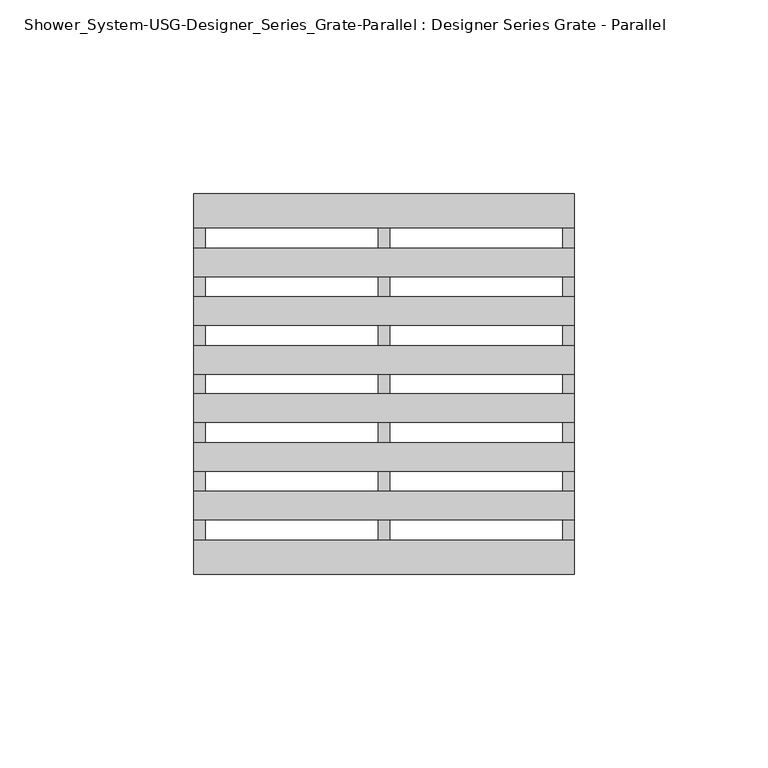
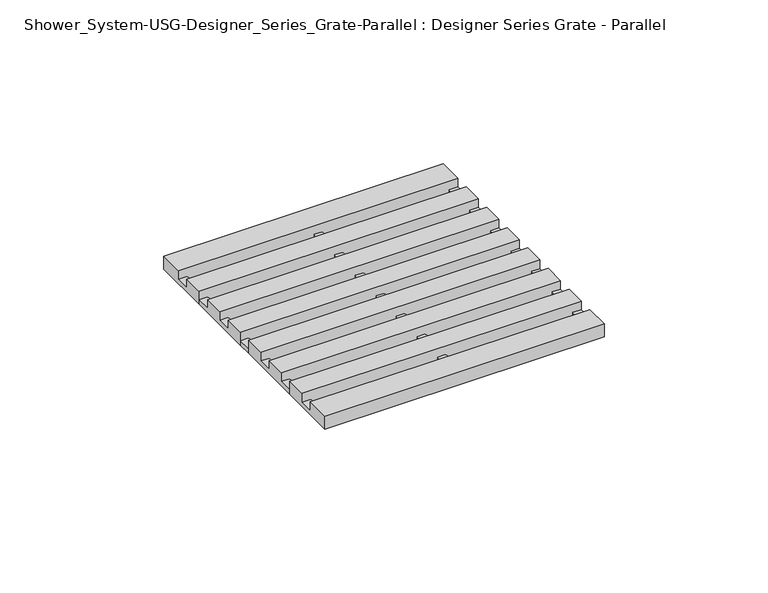
"""IFC4 building model written with IfcOpenShell, lengths in millimetres: proxy geometry, Shower_System-USG-Designer_Series_Grate-Parallel : Designer Series Grate - Parallel."""

from ifc_helpers import new_model, si_unit, origin, place, context, project, spatial, faceted_brep, source, transform, mapped, element, save


def shower_system_usg_designer_series_grate_parallel_designer_d6d5fca7(model_context):
    return source(origin(), model_context, "Body", "Brep", [
        faceted_brep([(49.2125, -2.5234032, 0.0), (49.2125, -27.7448094, 0.0), (49.2125, -49.2125, 0.0), (-49.2125, -49.2125, 0.0), (-49.2125, -27.7448094, 0.0), (-49.2125, -2.5234032, 0.0), (-49.2125, 2.5234032, 0.0), (-49.2125, 27.7448094, 0.0), (-49.2125, 49.2125, 0.0), (49.2125, 49.2125, 0.0), (49.2125, 27.7448094, 0.0), (49.2125, 2.5234032, 0.0), (46.1367187, -40.3555125, 0.0), (46.1367187, -35.1266844, 0.0), (1.5378906, -35.1266844, 0.0), (1.5378906, -40.3555125, 0.0), (-1.5378906, -40.3555125, 0.0), (-1.5378906, -35.1266844, 0.0), (-46.1367188, -35.1266844, 0.0), (-46.1367188, -40.3555125, 0.0), (1.5378906, 40.3555125, 0.0), (1.5378906, 35.1266844, 0.0), (46.1367187, 35.1266844, 0.0), (46.1367187, 40.3555125, 0.0), (-46.1367188, 40.3555125, 0.0), (-46.1367188, 35.1266844, 0.0), (-1.5378906, 35.1266844, 0.0), (-1.5378906, 40.3555125, 0.0), (46.1367187, -27.7448094, 0.0), (46.1367187, -22.5159813, 0.0), (1.5378906, -22.5159813, 0.0), (1.5378906, -27.7448094, 0.0), (-1.5378906, -27.7448094, 0.0), (-1.5378906, -22.5159813, 0.0), (-46.1367188, -22.5159813, 0.0), (-46.1367188, -27.7448094, 0.0), (46.1367187, -15.1341063, 0.0), (46.1367187, -9.9052782, 0.0), (1.5378906, -9.9052782, 0.0), (1.5378906, -15.1341063, 0.0), (-1.5378906, -15.1341063, 0.0), (-1.5378906, -9.9052782, 0.0), (-46.1367188, -9.9052782, 0.0), (-46.1367188, -15.1341063, 0.0), (46.1367187, -2.5234032, 0.0), (46.1367187, 2.5234032, 0.0), (1.5378906, 2.5234032, 0.0), (1.5378906, -2.5234032, 0.0), (-1.5378906, -2.5234032, 0.0), (-1.5378906, 2.5234032, 0.0), (-46.1367188, 2.5234032, 0.0), (-46.1367188, -2.5234032, 0.0), (1.5378906, 27.7448094, 0.0), (1.5378906, 22.5159813, 0.0), (46.1367187, 22.5159813, 0.0), (46.1367187, 27.7448094, 0.0), (-46.1367188, 27.7448094, 0.0), (-46.1367188, 22.5159813, 0.0), (-1.5378906, 22.5159813, 0.0), (-1.5378906, 27.7448094, 0.0), (1.5378906, 15.1341063, 0.0), (1.5378906, 9.9052782, 0.0), (46.1367187, 9.9052782, 0.0), (46.1367187, 15.1341063, 0.0), (-46.1367188, 15.1341063, 0.0), (-46.1367188, 9.9052782, 0.0), (-1.5378906, 9.9052782, 0.0), (-1.5378906, 15.1341063, 0.0), (-49.2125, 40.3555125, 4.7625), (49.2125, 40.3555125, 4.7625), (49.2125, 49.2125, 4.7625), (-49.2125, 49.2125, 4.7625), (49.2125, -49.2125, 4.7625), (49.2125, -40.3555125, 4.7625), (-49.2125, -40.3555125, 4.7625), (-49.2125, -49.2125, 4.7625), (49.2125, -35.1266844, 4.7625), (49.2125, -27.7448094, 4.7625), (-49.2125, -27.7448094, 4.7625), (-49.2125, -35.1266844, 4.7625), (49.2125, -22.5159813, 4.7625), (49.2125, -15.1341063, 4.7625), (-49.2125, -15.1341063, 4.7625), (-49.2125, -22.5159813, 4.7625), (49.2125, -9.9052782, 4.7625), (49.2125, -2.5234032, 4.7625), (-49.2125, -2.5234032, 4.7625), (-49.2125, -9.9052782, 4.7625), (49.2125, 35.1266844, 4.7625), (-49.2125, 35.1266844, 4.7625), (-49.2125, 27.7448094, 4.7625), (49.2125, 27.7448094, 4.7625), (49.2125, 22.5159813, 4.7625), (-49.2125, 22.5159813, 4.7625), (-49.2125, 15.1341063, 4.7625), (49.2125, 15.1341063, 4.7625), (49.2125, 9.9052782, 4.7625), (-49.2125, 9.9052782, 4.7625), (-49.2125, 2.5234032, 4.7625), (49.2125, 2.5234032, 4.7625), (49.2125, 40.3555125, 1.5875), (49.2125, 35.1266844, 1.5875), (49.2125, 27.7448094, 1.5875), (-49.2125, 27.7448094, 1.5875), (-49.2125, 35.1266844, 1.5875), (-49.2125, 40.3555125, 1.5875), (49.2125, -27.7448094, 1.5875), (49.2125, -35.1266844, 1.5875), (49.2125, -40.3555125, 1.5875), (46.1367187, -40.3555125, 1.5875), (1.5378906, -40.3555125, 1.5875), (-1.5378906, -40.3555125, 1.5875), (-46.1367188, -40.3555125, 1.5875), (-49.2125, -40.3555125, 1.5875), (-49.2125, -35.1266844, 1.5875), (-49.2125, -27.7448094, 1.5875), (-46.1367188, 40.3555125, 1.5875), (-1.5378906, 40.3555125, 1.5875), (1.5378906, 40.3555125, 1.5875), (46.1367187, 40.3555125, 1.5875), (46.1367187, -27.7448094, 1.5875), (1.5378906, -27.7448094, 1.5875), (-1.5378906, -27.7448094, 1.5875), (-46.1367188, -27.7448094, 1.5875), (-46.1367188, -35.1266844, 1.5875), (-1.5378906, -35.1266844, 1.5875), (1.5378906, -35.1266844, 1.5875), (46.1367187, -35.1266844, 1.5875), (49.2125, -2.5234032, 1.5875), (49.2125, -9.9052782, 1.5875), (49.2125, -15.1341063, 1.5875), (49.2125, -22.5159813, 1.5875), (46.1367187, -15.1341063, 1.5875), (1.5378906, -15.1341063, 1.5875), (-1.5378906, -15.1341063, 1.5875), (-46.1367188, -15.1341063, 1.5875), (-49.2125, -15.1341063, 1.5875), (-49.2125, -22.5159813, 1.5875), (-49.2125, -9.9052782, 1.5875), (-49.2125, -2.5234032, 1.5875), (-46.1367188, -22.5159813, 1.5875), (-1.5378906, -22.5159813, 1.5875), (1.5378906, -22.5159813, 1.5875), (46.1367187, -22.5159813, 1.5875), (46.1367187, -2.5234032, 1.5875), (1.5378906, -2.5234032, 1.5875), (-1.5378906, -2.5234032, 1.5875), (-46.1367188, -2.5234032, 1.5875), (-46.1367188, -9.9052782, 1.5875), (-1.5378906, -9.9052782, 1.5875), (1.5378906, -9.9052782, 1.5875), (46.1367187, -9.9052782, 1.5875), (46.1367187, 35.1266844, 1.5875), (1.5378906, 35.1266844, 1.5875), (-1.5378906, 35.1266844, 1.5875), (-46.1367188, 35.1266844, 1.5875), (-46.1367188, 27.7448094, 1.5875), (-1.5378906, 27.7448094, 1.5875), (1.5378906, 27.7448094, 1.5875), (46.1367187, 27.7448094, 1.5875), (49.2125, 22.5159813, 1.5875), (46.1367187, 22.5159813, 1.5875), (1.5378906, 22.5159813, 1.5875), (-1.5378906, 22.5159813, 1.5875), (-46.1367188, 22.5159813, 1.5875), (-49.2125, 22.5159813, 1.5875), (-49.2125, 2.5234032, 1.5875), (-49.2125, 9.9052782, 1.5875), (-49.2125, 15.1341063, 1.5875), (-46.1367188, 15.1341063, 1.5875), (-1.5378906, 15.1341063, 1.5875), (1.5378906, 15.1341063, 1.5875), (46.1367187, 15.1341063, 1.5875), (49.2125, 15.1341063, 1.5875), (49.2125, 9.9052782, 1.5875), (49.2125, 2.5234032, 1.5875), (46.1367187, 9.9052782, 1.5875), (1.5378906, 9.9052782, 1.5875), (-1.5378906, 9.9052782, 1.5875), (-46.1367188, 9.9052782, 1.5875), (-46.1367188, 2.5234032, 1.5875), (-1.5378906, 2.5234032, 1.5875), (1.5378906, 2.5234032, 1.5875), (46.1367187, 2.5234032, 1.5875)], [[[0, 1, 2, 3, 4, 5, 6, 7, 8, 9, 10, 11], [12, 13, 14, 15], [16, 17, 18, 19], [20, 21, 22, 23], [24, 25, 26, 27], [28, 29, 30, 31], [32, 33, 34, 35], [36, 37, 38, 39], [40, 41, 42, 43], [44, 45, 46, 47], [48, 49, 50, 51], [52, 53, 54, 55], [56, 57, 58, 59], [60, 61, 62, 63], [64, 65, 66, 67]], [[68, 69, 70, 71]], [[72, 73, 74, 75]], [[76, 77, 78, 79]], [[80, 81, 82, 83]], [[84, 85, 86, 87]], [[88, 89, 90, 91]], [[92, 93, 94, 95]], [[96, 97, 98, 99]], [[9, 70, 69, 100, 101, 88, 91, 102, 10]], [[8, 71, 70, 9]], [[7, 103, 90, 89, 104, 105, 68, 71, 8]], [[2, 72, 75, 3]], [[1, 106, 77, 76, 107, 108, 73, 72, 2]], [[73, 108, 109, 12, 15, 110, 111, 16, 19, 112, 113, 74]], [[3, 75, 74, 113, 114, 79, 78, 115, 4]], [[68, 105, 116, 24, 27, 117, 118, 20, 23, 119, 100, 69]], [[77, 106, 120, 28, 31, 121, 122, 32, 35, 123, 115, 78]], [[79, 114, 124, 18, 17, 125, 126, 14, 13, 127, 107, 76]], [[0, 128, 85, 84, 129, 130, 81, 80, 131, 106, 1]], [[81, 130, 132, 36, 39, 133, 134, 40, 43, 135, 136, 82]], [[4, 115, 137, 83, 82, 136, 138, 87, 86, 139, 5]], [[83, 137, 140, 34, 33, 141, 142, 30, 29, 143, 131, 80]], [[85, 128, 144, 44, 47, 145, 146, 48, 51, 147, 139, 86]], [[87, 138, 148, 42, 41, 149, 150, 38, 37, 151, 129, 84]], [[88, 101, 152, 22, 21, 153, 154, 26, 25, 155, 104, 89]], [[90, 103, 156, 56, 59, 157, 158, 52, 55, 159, 102, 91]], [[92, 160, 161, 54, 53, 162, 163, 58, 57, 164, 165, 93]], [[6, 166, 98, 97, 167, 168, 94, 93, 165, 103, 7]], [[94, 168, 169, 64, 67, 170, 171, 60, 63, 172, 173, 95]], [[10, 102, 160, 92, 95, 173, 174, 96, 99, 175, 11]], [[96, 174, 176, 62, 61, 177, 178, 66, 65, 179, 167, 97]], [[98, 166, 180, 50, 49, 181, 182, 46, 45, 183, 175, 99]], [[113, 112, 124, 114]], [[111, 110, 126, 125]], [[109, 108, 107, 127]], [[100, 119, 152, 101]], [[118, 117, 154, 153]], [[116, 105, 104, 155]], [[115, 123, 140, 137]], [[122, 121, 142, 141]], [[120, 106, 131, 143]], [[136, 135, 148, 138]], [[134, 133, 150, 149]], [[132, 130, 129, 151]], [[102, 159, 161, 160]], [[158, 157, 163, 162]], [[156, 103, 165, 164]], [[173, 172, 176, 174]], [[171, 170, 178, 177]], [[169, 168, 167, 179]], [[175, 183, 144, 128]], [[182, 181, 146, 145]], [[180, 166, 139, 147]], [[22, 152, 119, 23]], [[54, 161, 159, 55]], [[62, 176, 172, 63]], [[26, 154, 117, 27]], [[20, 118, 153, 21]], [[58, 163, 157, 59]], [[52, 158, 162, 53]], [[66, 178, 170, 67]], [[60, 171, 177, 61]], [[24, 116, 155, 25]], [[56, 156, 164, 57]], [[64, 169, 179, 65]], [[12, 109, 127, 13]], [[28, 120, 143, 29]], [[36, 132, 151, 37]], [[14, 126, 110, 15]], [[16, 111, 125, 17]], [[30, 142, 121, 31]], [[32, 122, 141, 33]], [[38, 150, 133, 39]], [[40, 134, 149, 41]], [[18, 124, 112, 19]], [[34, 140, 123, 35]], [[42, 148, 135, 43]], [[44, 144, 183, 45]], [[11, 175, 128, 0]], [[48, 146, 181, 49]], [[46, 182, 145, 47]], [[5, 139, 166, 6]], [[50, 180, 147, 51]]]),
    ])


if __name__ == "__main__":
    model = new_model("IFC4")
    model_context = context("Model", 3, world=origin())
    ifc_project = project(units=[si_unit("LENGTHUNIT", "METRE", prefix="MILLI")], contexts=[model_context])
    site = spatial("IfcSite", under=ifc_project)
    building = spatial("IfcBuilding", under=site)
    placement = place(None, origin())
    shower_system_usg_designer_series_grate_parallel_designer_shape = shower_system_usg_designer_series_grate_parallel_designer_d6d5fca7(model_context)
    element("IfcBuildingElementProxy", 1, Name="Shower_System-USG-Designer_Series_Grate-Parallel : Designer Series Grate - Parallel", ObjectType="Shower_System-USG-Designer_Series_Grate-Parallel : Designer Series Grate - Parallel", at=placement, inside=building, context=model_context, shape_type="MappedRepresentation", body=[
        mapped(shower_system_usg_designer_series_grate_parallel_designer_shape, transform((0.0, 0.0, 0.0), x_axis=(1.0, 0.0, 0.0), y_axis=(0.0, 1.0, 0.0), z_axis=(0.0, 0.0, 1.0))),
    ])
    save(model, "model.ifc")
